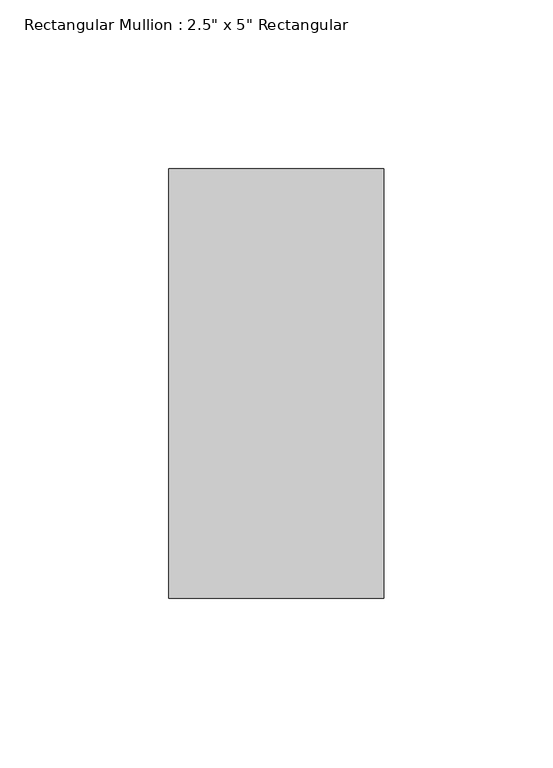
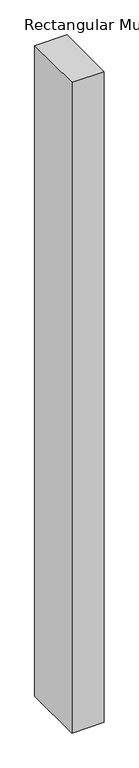
"""IFC4 building model written with IfcOpenShell, lengths in millimetres: member geometry."""

from ifc_helpers import new_model, si_unit, frame, origin, place, context, project, spatial, polyline, outline, extrude, source, transform, mapped, element, save


def member_0d0414c4(model_context):
    return source(origin(), model_context, "Body", "SweptSolid", [
        extrude(outline(polyline([(0.0, 63.5), (0.0, -63.5), (-63.5, -63.5), (-63.5, 63.5), (0.0, 63.5)])), frame((0.0, 0.0, -1358.9), z_axis=(0.0, 0.0, 1.0), x_axis=(1.0, 0.0, 0.0)), (0.0, 0.0, 1.0), 1358.9),
    ])


if __name__ == "__main__":
    model = new_model("IFC4")
    model_context = context("Model", 3, world=origin())
    ifc_project = project(units=[si_unit("LENGTHUNIT", "METRE", prefix="MILLI")], contexts=[model_context])
    site = spatial("IfcSite", under=ifc_project)
    building = spatial("IfcBuilding", under=site)
    placement = place(None, origin())
    member_shape = member_0d0414c4(model_context)
    element("IfcMember", 1, ObjectType="Rectangular Mullion : 2.5\" x 5\" Rectangular", at=placement, inside=building, context=model_context, shape_type="MappedRepresentation", body=[
        mapped(member_shape, transform((0.0, 0.0, 0.0), x_axis=(1.0, 0.0, 0.0), y_axis=(0.0, 1.0, 0.0), z_axis=(0.0, 0.0, 1.0))),
    ])
    save(model, "model.ifc")
